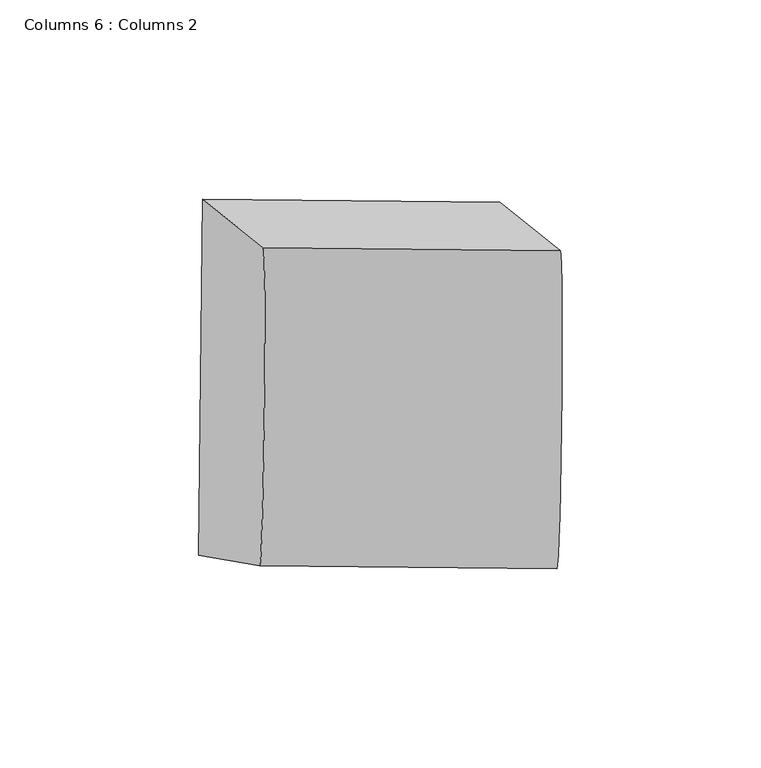
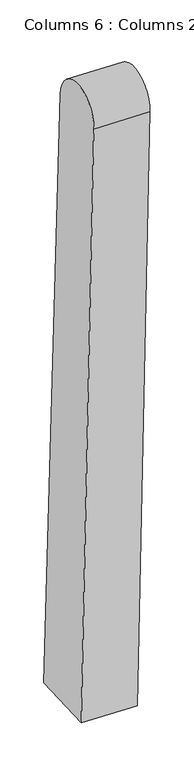
"""IFC4 building model written with IfcOpenShell, lengths in millimetres: column geometry, Columns 6 : Columns 2."""

from ifc_helpers import new_model, si_unit, point, frame, frame_2d, origin, place, context, project, spatial, polyline, circle_curve, trimmed, segment, composite_curve, outline, extrude, source, transform, mapped, element, save


def columns_6_columns_2_08c514fd(model_context):
    return source(origin(), model_context, "Body", "SweptSolid", [
        extrude(outline(composite_curve([segment(trimmed(circle_curve(frame_2d((20.1071107, -40.0236153)), 40.0236153), [point((20.1071107, -1e-07))], [point((20.5647032, -80.0446146))], False, "CARTESIAN"), True, "CONTINUOUS"), segment(polyline([(20.5647032, -80.0446146), (-820.0365396, -89.6558893), (-819.2945216, -1e-07), (20.1071107, -1e-07)]), True, "CONTINUOUS")], self_intersect=False)), frame((-40818.8262644, 40865.7948127, 109175.9099365), z_axis=(-0.9997720554760683, 0.010864923627670334, 0.018379078424188493), x_axis=(0.018219074347576445, -0.014646639968976664, 0.9997267332964227)), (0.0, 0.0, 1.0), 74.8694617),
    ])


if __name__ == "__main__":
    model = new_model("IFC4")
    model_context = context("Model", 3, world=origin())
    ifc_project = project(units=[si_unit("LENGTHUNIT", "METRE", prefix="MILLI")], contexts=[model_context])
    site = spatial("IfcSite", under=ifc_project)
    building = spatial("IfcBuilding", under=site)
    placement = place(None, origin())
    columns_6_columns_2_shape = columns_6_columns_2_08c514fd(model_context)
    element("IfcColumn", 1, ObjectType="Columns 6 : Columns 2", at=placement, inside=building, context=model_context, shape_type="MappedRepresentation", body=[
        mapped(columns_6_columns_2_shape, transform((0.0, 0.0, 0.0), x_axis=(1.0, 0.0, 0.0), y_axis=(0.0, 1.0, 0.0), z_axis=(0.0, 0.0, 1.0))),
    ])
    save(model, "model.ifc")
